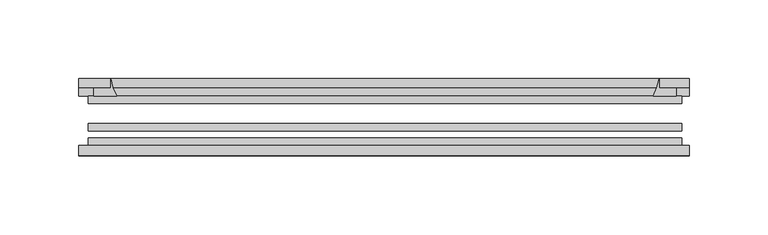
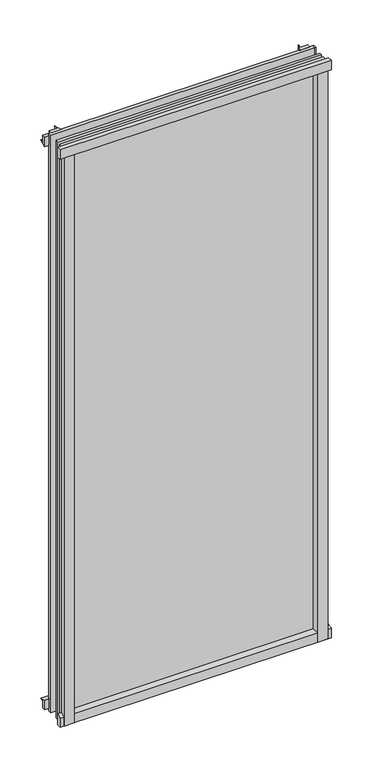
"""IFC4 building model written with IfcOpenShell, lengths in millimetres: plate geometry."""

import ifcopenshell
import ifcopenshell.guid

model = None  # the IFC model being written
_history = None  # IfcOwnerHistory: only IFC2X3 demands one
_inside = {}  # id of a spatial element -> (the spatial element, [elements in it])
_under = {}  # id of a project, library or spatial element -> (it, [spatial elements below it])
_declared = {}  # id of a project -> (the project, [libraries it declares])
_typed = {}  # id of a type object -> (the type object, [elements of that type])
_made_of = {}  # id of a material, layer set ... -> (it, [elements and type objects made of it])


def new_model(schema):
    """Start an empty IFC model of exactly this schema.

    Asked for "IFC4X3", IfcOpenShell would pick the latest addendum, in which some entities
    have other attributes; the version numbers below select the first issue.
    IFC2X3 requires an IfcOwnerHistory on every rooted entity: one is made here for all.
    """
    global model, _history
    if schema == "IFC4X3":
        model = ifcopenshell.file(schema_version=(4, 3, 0, 0))
    else:
        model = ifcopenshell.file(schema=schema)
    _inside.clear()
    _under.clear()
    _declared.clear()
    _typed.clear()
    _made_of.clear()
    _history = None
    if model.schema == "IFC2X3":
        org = make("IfcOrganization", Name="unknown")
        user = make(
            "IfcPersonAndOrganization",
            ThePerson=make("IfcPerson", FamilyName="unknown"),
            TheOrganization=org,
        )
        app = make(
            "IfcApplication",
            ApplicationDeveloper=org,
            Version="unknown",
            ApplicationFullName="unknown",
            ApplicationIdentifier="unknown",
        )
        _history = make(
            "IfcOwnerHistory",
            OwningUser=user,
            OwningApplication=app,
            ChangeAction="ADDED",
            CreationDate=0,
        )
    return model


def make(cls, **values):
    """One entity of the class cls with the attributes given. An attribute that is None is left unset."""
    return model.create_entity(
        cls, **{name: value for name, value in values.items() if value is not None}
    )


def rooted(cls, **values):
    """An entity with a GlobalId (a new one), such as an element, a storey or a relation."""
    return make(cls, GlobalId=ifcopenshell.guid.new(), OwnerHistory=_history, **values)


def si_unit(unit_type, name, prefix=None):
    """IfcSIUnit, for example si_unit("LENGTHUNIT", "METRE", prefix="MILLI")."""
    return make("IfcSIUnit", UnitType=unit_type, Prefix=prefix, Name=name)


def assignment(units):
    """IfcUnitAssignment: the units of a project."""
    return None if units is None else make("IfcUnitAssignment", Units=units)


def point(xyz):
    """IfcCartesianPoint."""
    return None if xyz is None else make("IfcCartesianPoint", Coordinates=xyz)


def direction(xyz):
    """IfcDirection."""
    return None if xyz is None else make("IfcDirection", DirectionRatios=xyz)


def frame(location, z_axis=None, x_axis=None):
    """IfcAxis2Placement3D, a coordinate frame: its origin and axes. An axis left out is left unset."""
    return make(
        "IfcAxis2Placement3D",
        Location=point(location),
        Axis=direction(z_axis),
        RefDirection=direction(x_axis),
    )


def frame_2d(location, x_axis=None):
    """IfcAxis2Placement2D, a coordinate frame in the plane: its origin and x axis."""
    return make(
        "IfcAxis2Placement2D", Location=point(location), RefDirection=direction(x_axis)
    )


def origin():
    """The frame at (0, 0, 0) with its axes left unset."""
    return frame((0.0, 0.0, 0.0))


def place(relative_to, where):
    """IfcLocalPlacement: puts the frame where relative to a parent placement (None: the world)."""
    return make(
        "IfcLocalPlacement", PlacementRelTo=relative_to, RelativePlacement=where
    )


def context(
    kind, dimensions, precision=None, world=None, true_north=None, identifier=None
):
    """IfcGeometricRepresentationContext, for example the 3D "Model" context."""
    return make(
        "IfcGeometricRepresentationContext",
        ContextIdentifier=identifier,
        ContextType=kind,
        CoordinateSpaceDimension=dimensions,
        Precision=precision,
        WorldCoordinateSystem=world,
        TrueNorth=true_north,
    )


def project(units=None, contexts=None):
    """IfcProject with its units and contexts."""
    return rooted(
        "IfcProject",
        Name="project",
        RepresentationContexts=contexts,
        UnitsInContext=assignment(units),
    )


def spatial(cls, under=None, at=None, **own):
    """A site, building, storey or space (cls), placed at a placement, below another one or the project."""
    s = rooted(cls, ObjectPlacement=at, **own)
    if under is not None:
        _under.setdefault(under.id(), (under, []))[1].append(s)
    return s


def polyline(points):
    """IfcPolyline through the points."""
    return make("IfcPolyline", Points=[point(p) for p in points])


def circle_curve(where, radius):
    """IfcCircle in the frame where."""
    return make("IfcCircle", Position=where, Radius=radius)


def trimmed(basis, trim1, trim2, sense, master):
    """IfcTrimmedCurve: the piece of a basis curve between two trims."""
    return make(
        "IfcTrimmedCurve",
        BasisCurve=basis,
        Trim1=trim1,
        Trim2=trim2,
        SenseAgreement=sense,
        MasterRepresentation=master,
    )


def segment(curve, same_sense, transition):
    """IfcCompositeCurveSegment."""
    return make(
        "IfcCompositeCurveSegment",
        Transition=transition,
        SameSense=same_sense,
        ParentCurve=curve,
    )


def composite_curve(segments, self_intersect=None):
    """IfcCompositeCurve: segments joined end to end."""
    return make("IfcCompositeCurve", Segments=segments, SelfIntersect=self_intersect)


def outline(outer, holes=None, kind="AREA"):
    """IfcArbitraryClosedProfileDef: a profile drawn as a closed curve; with holes, ...WithVoids."""
    if holes is None:
        return make("IfcArbitraryClosedProfileDef", ProfileType=kind, OuterCurve=outer)
    return make(
        "IfcArbitraryProfileDefWithVoids",
        ProfileType=kind,
        OuterCurve=outer,
        InnerCurves=holes,
    )


def extrude(swept, where, along, depth):
    """IfcExtrudedAreaSolid: the profile swept, set in the frame where, extruded along a direction by depth."""
    return make(
        "IfcExtrudedAreaSolid",
        SweptArea=swept,
        Position=where,
        ExtrudedDirection=direction(along),
        Depth=depth,
    )


def shape(context_of_items, identifier, shape_type, items):
    """IfcShapeRepresentation: the items that make up one representation, for example the "Body"."""
    return make(
        "IfcShapeRepresentation",
        ContextOfItems=context_of_items,
        RepresentationIdentifier=identifier,
        RepresentationType=shape_type,
        Items=items,
    )


def source(mapping_origin, context_of_items, identifier, shape_type, items):
    """IfcRepresentationMap: a shape defined once, which mapped items show again and again."""
    return make(
        "IfcRepresentationMap",
        MappingOrigin=mapping_origin,
        MappedRepresentation=shape(context_of_items, identifier, shape_type, items),
    )


def transform(
    local_origin,
    x_axis=None,
    y_axis=None,
    z_axis=None,
    scale=None,
    scale2=None,
    scale3=None,
    uniform=True,
):
    """IfcCartesianTransformationOperator3D, or its non-uniform kind. x_axis, y_axis, z_axis: its Axis1, 2, 3."""
    if uniform:
        return make(
            "IfcCartesianTransformationOperator3D",
            Axis1=direction(x_axis),
            Axis2=direction(y_axis),
            LocalOrigin=point(local_origin),
            Scale=scale,
            Axis3=direction(z_axis),
        )
    return make(
        "IfcCartesianTransformationOperator3DnonUniform",
        Axis1=direction(x_axis),
        Axis2=direction(y_axis),
        LocalOrigin=point(local_origin),
        Scale=scale,
        Axis3=direction(z_axis),
        Scale2=scale2,
        Scale3=scale3,
    )


def mapped(mapping_source, mapping_target):
    """IfcMappedItem: shows the shape of a source again, moved by a transform."""
    return make(
        "IfcMappedItem", MappingSource=mapping_source, MappingTarget=mapping_target
    )


def made_of(thing, what):
    """Note that an element or type object is made of a material, layer set ...; save() writes the relation."""
    if what is not None:
        _made_of.setdefault(what.id(), (what, []))[1].append(thing)
    return thing


def element(
    cls,
    number,
    at=None,
    inside=None,
    cuts=None,
    type_object=None,
    material=None,
    context=None,
    identifier="Body",
    shape_type=None,
    held_by="IfcProductDefinitionShape",
    body=None,
    shapes=None,
    **own,
):
    """One element of the class cls, such as IfcWall. Its Tag is "e" and its number.

    at: its placement. inside: the storey or other place that contains it. cuts: it is an
    opening in that element (IfcRelVoidsElement). A single representation is given by context,
    identifier, shape_type and body (its items); several are given by shapes. held_by: the class
    of the entity that holds the representations. save() writes the other relations.
    """
    e = rooted(cls, Tag="e%d" % number, ObjectPlacement=at, **own)
    if body is not None:
        shapes = [shape(context, identifier, shape_type, body)]
    if shapes is not None:
        e.Representation = make(held_by, Representations=shapes)
    if inside is not None:
        _inside.setdefault(inside.id(), (inside, []))[1].append(e)
    if cuts is not None:
        rooted(
            "IfcRelVoidsElement", RelatingBuildingElement=cuts, RelatedOpeningElement=e
        )
    if type_object is not None:
        _typed.setdefault(type_object.id(), (type_object, []))[1].append(e)
    return made_of(e, material)


def aggregate(whole, parts):
    """IfcRelAggregates: a whole, such as a stair, and the parts it consists of."""
    return rooted("IfcRelAggregates", RelatingObject=whole, RelatedObjects=parts)


def save(model, path):
    """Write the relations noted so far, then the file.

    IfcRelAggregates (storeys below a building ...), IfcRelContainedInSpatialStructure (elements
    in a storey), IfcRelDefinesByType, IfcRelAssociatesMaterial and IfcRelDeclares: one each for
    every whole, place, type object, material and project.
    """
    for whole, parts in _under.values():
        aggregate(whole, parts)
    for where, things in _inside.values():
        rooted(
            "IfcRelContainedInSpatialStructure",
            RelatedElements=things,
            RelatingStructure=where,
        )
    for kind, things in _typed.values():
        rooted("IfcRelDefinesByType", RelatedObjects=things, RelatingType=kind)
    for what, things in _made_of.values():
        rooted("IfcRelAssociatesMaterial", RelatedObjects=things, RelatingMaterial=what)
    for by, libraries in _declared.values():
        rooted("IfcRelDeclares", RelatingContext=by, RelatedDefinitions=libraries)
    model.write(path)


def plate_f09696f0(model_context):
    return source(origin(), model_context, "Body", "SweptSolid", [
        extrude(outline(composite_curve([segment(polyline([(-85.1328625, 855.6813002), (-78.7828625, 855.6813002), (-78.7828625, 839.4311909)]), True, "CONTINUOUS"), segment(trimmed(circle_curve(frame_2d((-85.0581856, 830.3814356)), 11.0126179), [point((-78.7828625, 839.4311909))], [point((-85.1328625, 841.3938002))], True, "CARTESIAN"), True, "CONTINUOUS"), segment(polyline([(-85.1328625, 841.3938002), (-85.1328625, 855.6813002)]), True, "CONTINUOUS")], self_intersect=False)), frame((-193.8442461, 0.0, 0.0), z_axis=(1.0, 0.0, 0.0), x_axis=(0.0, 1.0, 0.0)), (0.0, 0.0, 1.0), 386.4978672),
        extrude(outline(composite_curve([segment(polyline([(-188.0895586, -78.7828625), (-171.228343, -78.7828625)]), True, "CONTINUOUS"), segment(trimmed(circle_curve(frame_2d((-160.6659395, -86.7604812)), 13.2365693), [point((-171.228343, -78.7828625))], [point((-173.8020586, -85.1328625))], True, "CARTESIAN"), True, "CONTINUOUS"), segment(polyline([(-173.8020586, -85.1328625), (-188.0895586, -85.1328625), (-188.0895586, -78.7828625)]), True, "CONTINUOUS")], self_intersect=False)), frame((0.0, 0.0, -14.2875), z_axis=(0.0, 0.0, 1.0), x_axis=(1.0, 0.0, 0.0)), (0.0, 0.0, 1.0), 869.95),
        extrude(outline(composite_curve([segment(polyline([(188.0895586, -78.7828625), (188.0895586, -85.1328625), (173.8020586, -85.1328625)]), True, "CONTINUOUS"), segment(trimmed(circle_curve(frame_2d((160.6659395, -86.7604812)), 13.2365693), [point((173.8020586, -85.1328625))], [point((171.228343, -78.7828625))], True, "CARTESIAN"), True, "CONTINUOUS"), segment(polyline([(171.228343, -78.7828625), (188.0895586, -78.7828625)]), True, "CONTINUOUS")], self_intersect=False)), frame((0.0, 0.0, -14.2875), z_axis=(0.0, 0.0, 1.0), x_axis=(1.0, 0.0, 0.0)), (0.0, 0.0, 1.0), 869.95),
        extrude(outline(composite_curve([segment(polyline([(-47.1852625, -10.4712201), (-47.1852625, 3.9588469)]), True, "CONTINUOUS"), segment(trimmed(circle_curve(frame_2d((-30.6824422, 32.267054)), 32.7673262), [point((-47.1852625, 3.9588469))], [point((-36.3503395, -0.00635))], True, "CARTESIAN"), True, "CONTINUOUS"), segment(polyline([(-36.3503395, -0.00635), (-42.2830625, -0.00635), (-42.2830625, -10.4712201), (-47.1852625, -10.4712201)]), True, "CONTINUOUS")], self_intersect=False)), frame((-193.8442461, 0.0, 0.0), z_axis=(1.0, 0.0, 0.0), x_axis=(0.0, 1.0, 0.0)), (0.0, 0.0, 1.0), 386.4978672),
        extrude(outline(composite_curve([segment(polyline([(-78.7828625, -14.2875), (-85.1328625, -14.2875), (-85.1328625, -0.0127)]), True, "CONTINUOUS"), segment(trimmed(circle_curve(frame_2d((-86.7604812, 13.1234191)), 13.2365693), [point((-85.1328625, -0.0127))], [point((-78.7828625, 2.5610156))], True, "CARTESIAN"), True, "CONTINUOUS"), segment(polyline([(-78.7828625, 2.5610156), (-78.7828625, -14.2875)]), True, "CONTINUOUS")], self_intersect=False)), frame((-193.8442461, 0.0, 0.0), z_axis=(1.0, 0.0, 0.0), x_axis=(0.0, 1.0, 0.0)), (0.0, 0.0, 1.0), 386.4978672),
        extrude(outline(composite_curve([segment(polyline([(-47.1852625, 837.4034531), (-47.1852625, 852.0752564), (-42.2830625, 852.0752564), (-42.2830625, 841.375), (-36.3140625, 841.375)]), True, "CONTINUOUS"), segment(trimmed(circle_curve(frame_2d((-30.6824422, 809.095246)), 32.7673262), [point((-36.3140625, 841.375))], [point((-47.1852625, 837.4034531))], True, "CARTESIAN"), True, "CONTINUOUS")], self_intersect=False)), frame((-193.8442461, 0.0, 0.0), z_axis=(1.0, 0.0, 0.0), x_axis=(0.0, 1.0, 0.0)), (0.0, 0.0, 1.0), 386.4978672),
        extrude(outline(composite_curve([segment(trimmed(circle_curve(frame_2d((141.5223046, -30.6824422)), 32.7673262), [point((169.8305117, -47.1852625))], [point((173.8020586, -36.3140625))], True, "CARTESIAN"), True, "CONTINUOUS"), segment(polyline([(173.8020586, -36.3140625), (173.8020586, -42.2830625), (184.502424, -42.2830625), (184.502424, -47.1852625), (169.8305117, -47.1852625)]), True, "CONTINUOUS")], self_intersect=False)), frame((0.0, 0.0, -14.2875), z_axis=(0.0, 0.0, 1.0), x_axis=(1.0, 0.0, 0.0)), (0.0, 0.0, 1.0), 869.95),
        extrude(outline(composite_curve([segment(polyline([(-169.8305117, -47.1852625), (-184.4972678, -47.1852625), (-184.4972678, -42.2830625), (-173.8020586, -42.2830625), (-173.8020586, -36.3140625)]), True, "CONTINUOUS"), segment(trimmed(circle_curve(frame_2d((-141.5223046, -30.6824422)), 32.7673262), [point((-173.8020586, -36.3140625))], [point((-169.8305117, -47.1852625))], True, "CARTESIAN"), True, "CONTINUOUS")], self_intersect=False)), frame((0.0, 0.0, -14.2875), z_axis=(0.0, 0.0, 1.0), x_axis=(1.0, 0.0, 0.0)), (0.0, 0.0, 1.0), 869.95),
        extrude(outline(polyline([(188.0895586, -64.6604625), (188.0895586, -69.4356625), (-188.0895586, -69.4356625), (-188.0895586, -64.6604625), (188.0895586, -64.6604625)])), frame((0.0, 0.0, -14.2875), z_axis=(0.0, 0.0, 1.0), x_axis=(1.0, 0.0, 0.0)), (0.0, 0.0, 1.0), 869.95),
        extrude(outline(polyline([(-188.0895586, -78.7828625), (-188.0895586, -74.0076625), (188.0895586, -74.0076625), (188.0895586, -78.7828625), (-188.0895586, -78.7828625)])), frame((0.0, 0.0, -14.2875), z_axis=(0.0, 0.0, 1.0), x_axis=(1.0, 0.0, 0.0)), (0.0, 0.0, 1.0), 869.95),
        extrude(outline(polyline([(-188.0895586, -47.1852625), (188.0895586, -47.1852625), (188.0895586, -51.9604625), (-188.0895586, -51.9604625), (-188.0895586, -47.1852625)])), frame((0.0, 0.0, -14.2875), z_axis=(0.0, 0.0, 1.0), x_axis=(1.0, 0.0, 0.0)), (0.0, 0.0, 1.0), 869.95),
    ])


if __name__ == "__main__":
    model = new_model("IFC4")
    model_context = context("Model", 3, world=origin())
    ifc_project = project(units=[si_unit("LENGTHUNIT", "METRE", prefix="MILLI")], contexts=[model_context])
    site = spatial("IfcSite", under=ifc_project)
    building = spatial("IfcBuilding", under=site)
    placement = place(None, origin())
    plate_shape = plate_f09696f0(model_context)
    element("IfcPlate", 1, at=placement, inside=building, context=model_context, shape_type="MappedRepresentation", body=[
        mapped(plate_shape, transform((0.0, 0.0, 0.0), x_axis=(1.0, 0.0, 0.0), y_axis=(0.0, 1.0, 0.0), z_axis=(0.0, 0.0, 1.0))),
    ])
    save(model, "model.ifc")
